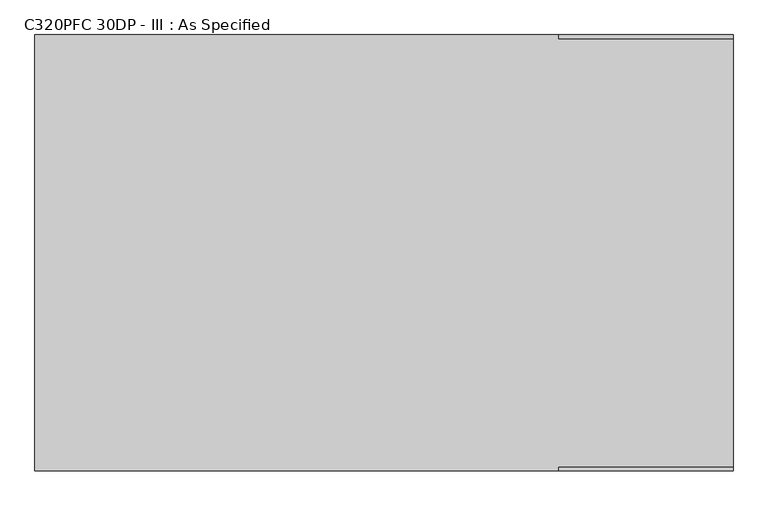
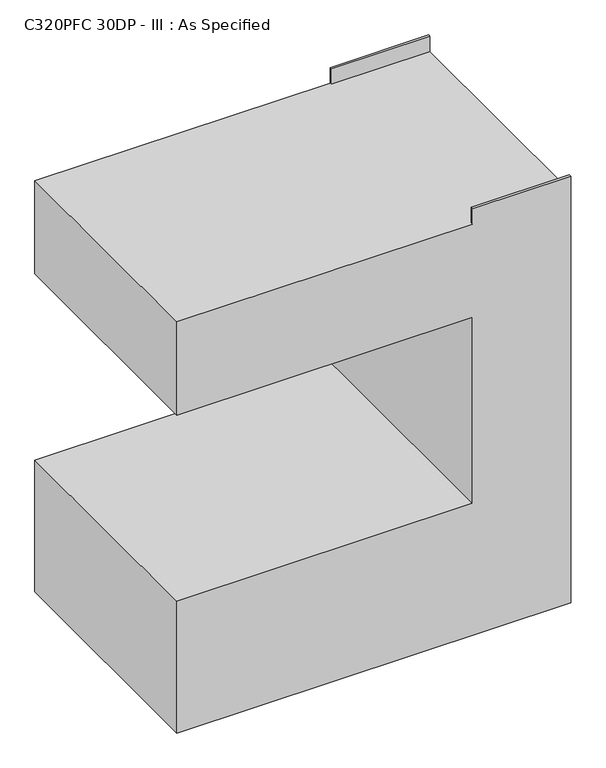
"""IFC4 building model written with IfcOpenShell, lengths in millimetres: proxy geometry, C320PFC 30DP - III : As Specified."""

from ifc_helpers import new_model, si_unit, origin, place, context, project, spatial, faceted_brep, source, transform, mapped, element, save


def c320pfc_30dp_iii_as_specified_5b63cf98(model_context):
    return source(origin(), model_context, "Body", "Brep", [
        faceted_brep([(-609.6, 381.0, 1346.2), (-609.6, -381.0, 1346.2), (304.8, -381.0, 1346.2), (304.8, -374.65, 1346.2), (609.6, -374.65, 1346.2), (609.6, 374.65, 1346.2), (304.8, 374.65, 1346.2), (304.8, 381.0, 1346.2), (609.6, 381.0, 0.0), (609.6, -381.0, 0.0), (-609.6, -381.0, 0.0), (-609.6, 381.0, 0.0), (-609.6, 381.0, 431.8), (304.8, 381.0, 431.8), (304.8, 381.0, 1041.4), (-609.6, 381.0, 1041.4), (304.8, 381.0, 1397.0), (609.6, 381.0, 1397.0), (-609.6, -381.0, 1041.4), (-609.6, -381.0, 431.8), (609.6, -381.0, 1397.0), (304.8, -381.0, 1397.0), (304.8, -381.0, 1041.4), (304.8, -381.0, 431.8), (609.6, 374.65, 1397.0), (609.6, -374.65, 1397.0), (304.8, -374.65, 1397.0), (304.8, 374.65, 1397.0)], [[[0, 1, 2, 3, 4, 5, 6, 7]], [[8, 9, 10, 11]], [[8, 11, 12, 13, 14, 15, 0, 7, 16, 17]], [[1, 0, 15, 18]], [[11, 10, 19, 12]], [[10, 9, 20, 21, 2, 1, 18, 22, 23, 19]], [[9, 8, 17, 24, 5, 4, 25, 20]], [[23, 13, 12, 19]], [[13, 23, 22, 14]], [[14, 22, 18, 15]], [[21, 26, 3, 2]], [[26, 21, 20, 25]], [[3, 26, 25, 4]], [[16, 7, 6, 27]], [[16, 27, 24, 17]], [[27, 6, 5, 24]]]),
    ])


if __name__ == "__main__":
    model = new_model("IFC4")
    model_context = context("Model", 3, world=origin())
    ifc_project = project(units=[si_unit("LENGTHUNIT", "METRE", prefix="MILLI")], contexts=[model_context])
    site = spatial("IfcSite", under=ifc_project)
    building = spatial("IfcBuilding", under=site)
    placement = place(None, origin())
    c320pfc_30dp_iii_as_specified_shape = c320pfc_30dp_iii_as_specified_5b63cf98(model_context)
    element("IfcBuildingElementProxy", 1, Name="C320PFC 30DP - III : As Specified", ObjectType="C320PFC 30DP - III : As Specified", at=placement, inside=building, context=model_context, shape_type="MappedRepresentation", body=[
        mapped(c320pfc_30dp_iii_as_specified_shape, transform((0.0, 0.0, 0.0), x_axis=(1.0, 0.0, 0.0), y_axis=(0.0, 1.0, 0.0), z_axis=(0.0, 0.0, 1.0))),
    ])
    save(model, "model.ifc")
